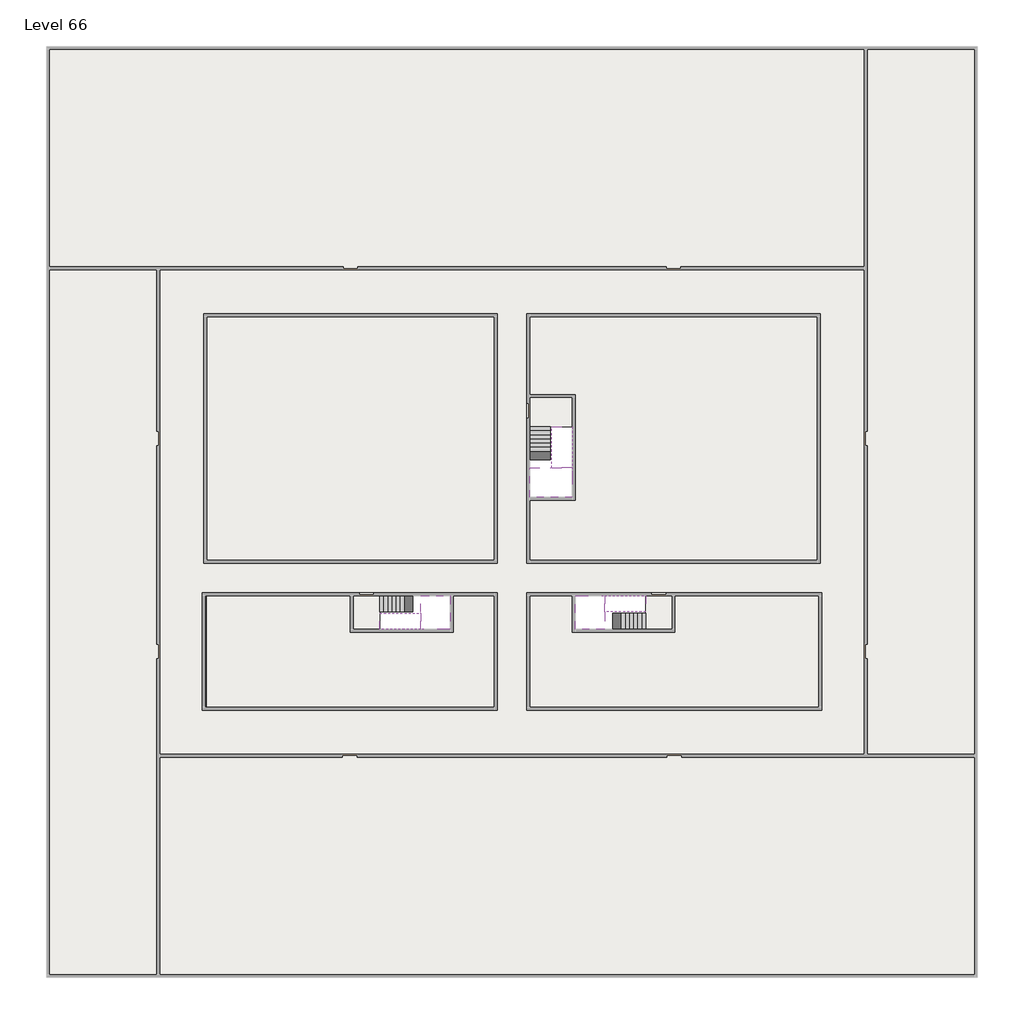
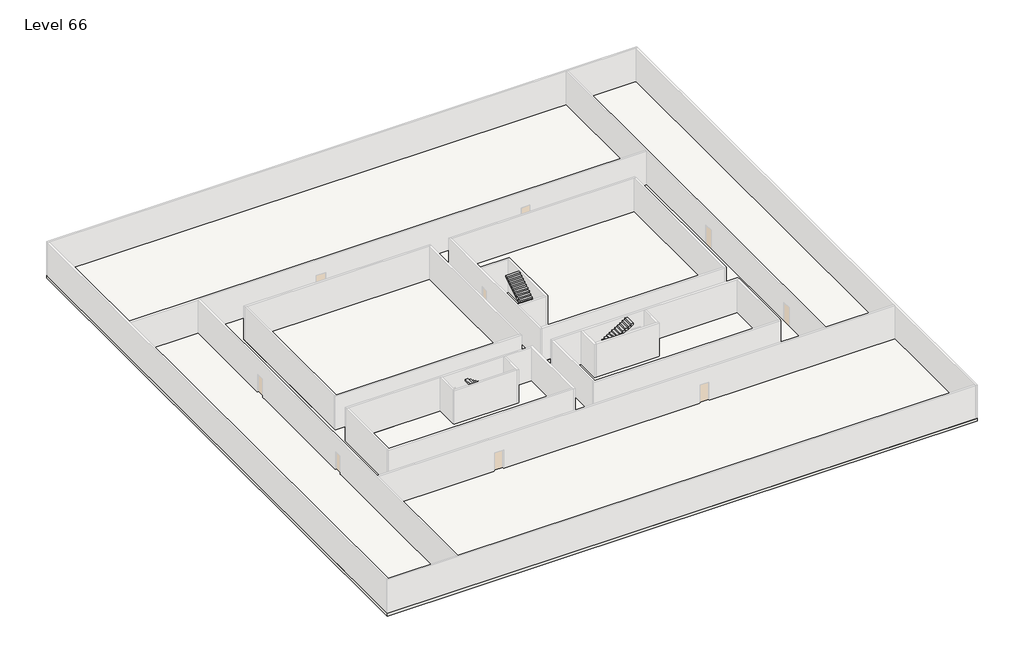
# One storey, part 2 of 2: 6 slabs, 6 stair flights.
"""IFC4 building model written with IfcOpenShell, lengths in millimetres."""

from ifc_helpers import new_model, si_unit, frame, origin, place, context, project, spatial, polyline, outline, extrude, faceted_brep, element, save

model = new_model("IFC4")

# Units and contexts
model_context = context("Model", 3, world=origin())
ifc_project = project(units=[si_unit("LENGTHUNIT", "METRE", prefix="MILLI")], contexts=[model_context])

# Site, building, storey
site = spatial("IfcSite", under=ifc_project)
building = spatial("IfcBuilding", under=site)
storey = spatial("IfcBuildingStorey", under=building, Name="Level 66", Elevation=247000.0)

# Slabs
placement = place(None, origin())
element("IfcSlab", 1, at=placement, inside=storey, context=model_context, shape_type="SweptSolid", body=[
    extrude(outline(polyline([(55890.1058784, -5518.09644), (55890.1058784, -68918.09644), (-7509.8941216, -68918.09644), (-7509.8941216, -5518.09644), (55890.1058784, -5518.09644)]), holes=[polyline([(23190.1058784, -23718.09644), (3190.1058784, -23718.09644), (3190.1058784, -40718.09644), (23190.1058784, -40718.09644), (23190.1058784, -23718.09644)]), polyline([(45190.1058784, -23718.09644), (25190.1058784, -23718.09644), (25190.1058784, -40718.09644), (45190.1058784, -40718.09644), (45190.1058784, -23718.09644)]), polyline([(23190.1058784, -50718.09644), (23190.1058784, -42718.09644), (3390.1058784, -42718.09644), (3390.1058784, -50718.09644), (23190.1058784, -50718.09644)]), polyline([(25190.1058784, -50718.09644), (45190.1058784, -50718.09644), (45190.1058784, -42718.09644), (25190.1058784, -42718.09644), (25190.1058784, -50718.09644)])]), frame((0.0, 0.0, 246700.0), z_axis=(0.0, 0.0, 1.0), x_axis=(1.0, 0.0, 0.0)), (0.0, 0.0, 1.0), 300.0),
])
element("IfcSlab", 2, at=placement, inside=storey, context=model_context, shape_type="Brep", body=[
    faceted_brep([(26790.1058784, -34218.09644, 248900.0), (25390.1058784, -34218.09644, 248900.0), (25390.1058784, -34297.4828763, 248900.0), (25390.1058784, -36218.09644, 248900.0), (28290.1058784, -36218.09644, 248900.0), (28290.1058784, -34418.7100038, 248900.0), (28290.1058784, -34218.09644, 248900.0), (26890.1058784, -34218.09644, 248900.0), (26790.1058784, -34218.09644, 248600.0), (26790.1058784, -34218.09644, 248551.0278478), (25390.1058784, -34218.09644, 248551.0278478), (25390.1058784, -34218.09644, 248727.2727273), (25390.1058784, -34297.4828763, 248600.0), (25390.1058784, -36218.09644, 248600.0), (28290.1058784, -36218.09644, 248600.0), (28290.1058784, -34418.7100038, 248600.0), (28290.1058784, -34218.09644, 248723.7551205), (26890.1058784, -34218.09644, 248723.7551205), (26890.1058784, -34218.09644, 248600.0), (26890.1058784, -34418.7100038, 248600.0), (26790.1058784, -34297.4828763, 248600.0)], [[[0, 1, 2, 3, 4, 5, 6, 7]], [[1, 0, 8, 9, 10, 11]], [[1, 11, 10, 12, 13, 3, 2]], [[4, 3, 13, 14]], [[4, 14, 15, 16, 6, 5]], [[7, 6, 16, 17]], [[0, 7, 17, 18, 8]], [[18, 19, 15, 14, 13, 12, 20, 8]], [[19, 18, 17]], [[20, 12, 10, 9]], [[8, 20, 9]], [[15, 19, 17, 16]]]),
])
element("IfcSlab", 3, at=placement, inside=storey, context=model_context, shape_type="SweptSolid", body=[
    extrude(outline(polyline([(22990.1058784, -23918.09644), (22990.1058784, -40518.09644), (3390.1058784, -40518.09644), (3390.1058784, -23918.09644), (22990.1058784, -23918.09644)])), frame((0.0, 0.0, 246700.0), z_axis=(0.0, 0.0, 1.0), x_axis=(1.0, 0.0, 0.0)), (0.0, 0.0, 1.0), 300.0),
    extrude(outline(polyline([(44990.1058784, -23918.09644), (44990.1058784, -40518.09644), (25390.1058784, -40518.09644), (25390.1058784, -36418.09644), (28490.1058784, -36418.09644), (28490.1058784, -29218.09644), (25390.1058784, -29218.09644), (25390.1058784, -23918.09644), (44990.1058784, -23918.09644)])), frame((0.0, 0.0, 246700.0), z_axis=(0.0, 0.0, 1.0), x_axis=(1.0, 0.0, 0.0)), (0.0, 0.0, 1.0), 300.0),
    extrude(outline(polyline([(22990.1058784, -42918.09644), (22990.1058784, -50518.09644), (3390.1058784, -50518.09644), (3390.1058784, -42918.09644), (13190.1058784, -42918.09644), (13190.1058784, -45418.09644), (20190.1058784, -45418.09644), (20190.1058784, -42918.09644), (22990.1058784, -42918.09644)])), frame((0.0, 0.0, 246700.0), z_axis=(0.0, 0.0, 1.0), x_axis=(1.0, 0.0, 0.0)), (0.0, 0.0, 1.0), 300.0),
    extrude(outline(polyline([(28290.1058784, -42918.09644), (28290.1058784, -45418.09644), (35290.1058784, -45418.09644), (35290.1058784, -42918.09644), (45090.1058784, -42918.09644), (45090.1058784, -50518.09644), (25390.1058784, -50518.09644), (25390.1058784, -42918.09644), (28290.1058784, -42918.09644)])), frame((0.0, 0.0, 246700.0), z_axis=(0.0, 0.0, 1.0), x_axis=(1.0, 0.0, 0.0)), (0.0, 0.0, 1.0), 300.0),
])
element("IfcSlab", 4, at=placement, inside=storey, context=model_context, shape_type="Brep", body=[
    faceted_brep([(30490.1058784, -45218.09644, 248900.0), (30490.1058784, -44118.09644, 248900.0), (30490.1058784, -44018.09644, 248900.0), (30490.1058784, -42918.09644, 248900.0), (30289.4923146, -42918.09644, 248900.0), (28490.1058784, -42918.09644, 248900.0), (28490.1058784, -45218.09644, 248900.0), (30410.7194421, -45218.09644, 248900.0), (30490.1058784, -45218.09644, 248727.2727273), (30490.1058784, -45218.09644, 248551.0278478), (30490.1058784, -44118.09644, 248551.0278478), (30490.1058784, -44118.09644, 248600.0), (30490.1058784, -44018.09644, 248600.0), (30490.1058784, -44018.09644, 248723.7551205), (30490.1058784, -42918.09644, 248723.7551205), (30289.4923146, -42918.09644, 248600.0), (28490.1058784, -42918.09644, 248600.0), (28490.1058784, -45218.09644, 248600.0), (30410.7194421, -45218.09644, 248600.0), (30289.4923146, -44018.09644, 248600.0), (30410.7194421, -44118.09644, 248600.0)], [[[0, 1, 2, 3, 4, 5, 6, 7]], [[1, 0, 8, 9, 10, 11]], [[2, 1, 11, 12, 13]], [[3, 2, 13, 14]], [[3, 14, 15, 16, 5, 4]], [[6, 5, 16, 17]], [[9, 8, 0, 7, 6, 17, 18]], [[19, 12, 11, 20, 18, 17, 16, 15]], [[12, 19, 13]], [[18, 20, 10, 9]], [[20, 11, 10]], [[19, 15, 14, 13]]]),
])
element("IfcSlab", 5, at=placement, inside=storey, context=model_context, shape_type="Brep", body=[
    faceted_brep([(17990.1058784, -42918.09644, 248900.0), (17990.1058784, -44018.09644, 248900.0), (17990.1058784, -44118.09644, 248900.0), (17990.1058784, -45218.09644, 248900.0), (18190.7194421, -45218.09644, 248900.0), (19990.1058784, -45218.09644, 248900.0), (19990.1058784, -42918.09644, 248900.0), (18069.4923146, -42918.09644, 248900.0), (17990.1058784, -42918.09644, 248727.2727273), (17990.1058784, -42918.09644, 248551.0278478), (17990.1058784, -44018.09644, 248551.0278478), (17990.1058784, -44018.09644, 248600.0), (17990.1058784, -44118.09644, 248600.0), (17990.1058784, -44118.09644, 248723.7551205), (17990.1058784, -45218.09644, 248723.7551205), (18190.7194421, -45218.09644, 248600.0), (19990.1058784, -45218.09644, 248600.0), (19990.1058784, -42918.09644, 248600.0), (18069.4923146, -42918.09644, 248600.0), (18190.7194421, -44118.09644, 248600.0), (18069.4923146, -44018.09644, 248600.0)], [[[0, 1, 2, 3, 4, 5, 6, 7]], [[1, 0, 8, 9, 10, 11]], [[2, 1, 11, 12, 13]], [[3, 2, 13, 14]], [[3, 14, 15, 16, 5, 4]], [[6, 5, 16, 17]], [[9, 8, 0, 7, 6, 17, 18]], [[19, 12, 11, 20, 18, 17, 16, 15]], [[12, 19, 13]], [[18, 20, 10, 9]], [[20, 11, 10]], [[19, 15, 14, 13]]]),
])
element("IfcSlab", 6, at=placement, inside=storey, context=model_context, shape_type="SweptSolid", body=[
    extrude(outline(polyline([(25190.1058784, -29418.09644), (28290.1058784, -29418.09644), (28290.1058784, -31418.09644), (25190.1058784, -31418.09644), (25190.1058784, -29418.09644)])), frame((0.0, 0.0, 246700.0), z_axis=(0.0, 0.0, 1.0), x_axis=(1.0, 0.0, 0.0)), (0.0, 0.0, 1.0), 300.0),
    extrude(outline(polyline([(15190.1058784, -45218.09644), (13390.1058784, -45218.09644), (13390.1058784, -42718.09644), (15190.1058784, -42718.09644), (15190.1058784, -45218.09644)])), frame((0.0, 0.0, 246700.0), z_axis=(0.0, 0.0, 1.0), x_axis=(1.0, 0.0, 0.0)), (0.0, 0.0, 1.0), 300.0),
    extrude(outline(polyline([(35090.1058784, -45218.09644), (33290.1058784, -45218.09644), (33290.1058784, -42718.09644), (35090.1058784, -42718.09644), (35090.1058784, -45218.09644)])), frame((0.0, 0.0, 246700.0), z_axis=(0.0, 0.0, 1.0), x_axis=(1.0, 0.0, 0.0)), (0.0, 0.0, 1.0), 300.0),
])

# Stair flights
element("IfcStairFlight", 7, at=placement, inside=storey, context=model_context, shape_type="Brep", body=[
    faceted_brep([(26790.1058784, -31698.09644, 247172.7272727), (26790.1058784, -31418.09644, 247172.7272727), (25390.1058784, -31418.09644, 247172.7272727), (25390.1058784, -31698.09644, 247172.7272727), (26790.1058784, -31698.09644, 247000.0), (26790.1058784, -31418.09644, 247000.0), (25390.1058784, -31418.09644, 247000.0), (25390.1058784, -31698.09644, 247000.0), (26790.1058784, -31978.09644, 247345.4545455), (26790.1058784, -31698.09644, 247345.4545455), (25390.1058784, -31698.09644, 247345.4545455), (25390.1058784, -31978.09644, 247345.4545455), (26790.1058784, -31978.09644, 247169.209666), (26790.1058784, -31703.7986657, 247000.0), (25390.1058784, -31703.7986657, 247000.0), (25390.1058784, -31978.09644, 247169.209666), (26790.1058784, -32258.09644, 247518.1818182), (26790.1058784, -31978.09644, 247518.1818182), (25390.1058784, -31978.09644, 247518.1818182), (25390.1058784, -32258.09644, 247518.1818182), (26790.1058784, -32258.09644, 247341.9369387), (25390.1058784, -32258.09644, 247341.9369387), (26790.1058784, -32538.09644, 247690.9090909), (26790.1058784, -32258.09644, 247690.9090909), (25390.1058784, -32258.09644, 247690.9090909), (25390.1058784, -32538.09644, 247690.9090909), (26790.1058784, -32538.09644, 247514.6642114), (25390.1058784, -32538.09644, 247514.6642114), (26790.1058784, -32818.09644, 247863.6363636), (26790.1058784, -32538.09644, 247863.6363636), (25390.1058784, -32538.09644, 247863.6363636), (25390.1058784, -32818.09644, 247863.6363636), (26790.1058784, -32818.09644, 247687.3914841), (25390.1058784, -32818.09644, 247687.3914841), (26790.1058784, -33098.09644, 248036.3636364), (26790.1058784, -32818.09644, 248036.3636364), (25390.1058784, -32818.09644, 248036.3636364), (25390.1058784, -33098.09644, 248036.3636364), (26790.1058784, -33098.09644, 247860.1187569), (25390.1058784, -33098.09644, 247860.1187569), (26790.1058784, -33378.09644, 248209.0909091), (26790.1058784, -33098.09644, 248209.0909091), (25390.1058784, -33098.09644, 248209.0909091), (25390.1058784, -33378.09644, 248209.0909091), (26790.1058784, -33378.09644, 248032.8460296), (25390.1058784, -33378.09644, 248032.8460296), (26790.1058784, -33658.09644, 248381.8181818), (26790.1058784, -33378.09644, 248381.8181818), (25390.1058784, -33378.09644, 248381.8181818), (25390.1058784, -33658.09644, 248381.8181818), (26790.1058784, -33658.09644, 248205.5733023), (25390.1058784, -33658.09644, 248205.5733023), (26790.1058784, -33938.09644, 248554.5454545), (26790.1058784, -33658.09644, 248554.5454545), (25390.1058784, -33658.09644, 248554.5454545), (25390.1058784, -33938.09644, 248554.5454545), (26790.1058784, -33938.09644, 248378.3005751), (25390.1058784, -33938.09644, 248378.3005751), (26790.1058784, -34218.09644, 248727.2727273), (26790.1058784, -33938.09644, 248727.2727273), (25390.1058784, -33938.09644, 248727.2727273), (25390.1058784, -34218.09644, 248727.2727273), (26790.1058784, -34218.09644, 248600.0), (26790.1058784, -34218.09644, 248551.0278478), (25390.1058784, -34218.09644, 248551.0278478)], [[[0, 1, 2, 3]], [[1, 0, 4, 5]], [[2, 1, 5, 6]], [[3, 2, 6, 7]], [[8, 9, 10, 11]], [[4, 0, 9, 8, 12, 13]], [[0, 3, 10, 9]], [[3, 7, 14, 15, 11, 10]], [[16, 17, 18, 19]], [[17, 16, 20, 12, 8]], [[8, 11, 18, 17]], [[19, 18, 11, 15, 21]], [[22, 23, 24, 25]], [[23, 22, 26, 20, 16]], [[16, 19, 24, 23]], [[25, 24, 19, 21, 27]], [[28, 29, 30, 31]], [[29, 28, 32, 26, 22]], [[22, 25, 30, 29]], [[31, 30, 25, 27, 33]], [[34, 35, 36, 37]], [[35, 34, 38, 32, 28]], [[28, 31, 36, 35]], [[37, 36, 31, 33, 39]], [[40, 41, 42, 43]], [[41, 40, 44, 38, 34]], [[34, 37, 42, 41]], [[43, 42, 37, 39, 45]], [[46, 47, 48, 49]], [[47, 46, 50, 44, 40]], [[40, 43, 48, 47]], [[49, 48, 43, 45, 51]], [[52, 53, 54, 55]], [[53, 52, 56, 50, 46]], [[46, 49, 54, 53]], [[55, 54, 49, 51, 57]], [[58, 59, 60, 61]], [[59, 58, 62, 63, 56, 52]], [[52, 55, 60, 59]], [[61, 60, 55, 57, 64]], [[58, 61, 64, 63, 62]], [[5, 4, 13, 14, 7, 6]], [[14, 13, 12, 20, 26, 32, 38, 44, 50, 56, 63, 64, 57, 51, 45, 39, 33, 27, 21, 15]]]),
])
element("IfcStairFlight", 8, at=placement, inside=storey, context=model_context, shape_type="Brep", body=[
    faceted_brep([(26890.1058784, -33938.09644, 249072.7272727), (26890.1058784, -34218.09644, 249072.7272727), (28290.1058784, -34218.09644, 249072.7272727), (28290.1058784, -33938.09644, 249072.7272727), (26890.1058784, -33938.09644, 248896.4823932), (26890.1058784, -34218.09644, 248723.7551205), (28290.1058784, -34218.09644, 248723.7551205), (28290.1058784, -34218.09644, 248900.0), (28290.1058784, -33938.09644, 248896.4823932), (26890.1058784, -33658.09644, 249245.4545455), (26890.1058784, -33938.09644, 249245.4545455), (28290.1058784, -33938.09644, 249245.4545455), (28290.1058784, -33658.09644, 249245.4545455), (26890.1058784, -33658.09644, 249069.209666), (28290.1058784, -33658.09644, 249069.209666), (26890.1058784, -33378.09644, 249418.1818182), (26890.1058784, -33658.09644, 249418.1818182), (28290.1058784, -33658.09644, 249418.1818182), (28290.1058784, -33378.09644, 249418.1818182), (26890.1058784, -33378.09644, 249241.9369387), (28290.1058784, -33378.09644, 249241.9369387), (26890.1058784, -33098.09644, 249590.9090909), (26890.1058784, -33378.09644, 249590.9090909), (28290.1058784, -33378.09644, 249590.9090909), (28290.1058784, -33098.09644, 249590.9090909), (26890.1058784, -33098.09644, 249414.6642114), (28290.1058784, -33098.09644, 249414.6642114), (26890.1058784, -32818.09644, 249763.6363636), (26890.1058784, -33098.09644, 249763.6363636), (28290.1058784, -33098.09644, 249763.6363636), (28290.1058784, -32818.09644, 249763.6363636), (26890.1058784, -32818.09644, 249587.3914841), (28290.1058784, -32818.09644, 249587.3914841), (26890.1058784, -32538.09644, 249936.3636364), (26890.1058784, -32818.09644, 249936.3636364), (28290.1058784, -32818.09644, 249936.3636364), (28290.1058784, -32538.09644, 249936.3636364), (26890.1058784, -32538.09644, 249760.1187569), (28290.1058784, -32538.09644, 249760.1187569), (26890.1058784, -32258.09644, 250109.0909091), (26890.1058784, -32538.09644, 250109.0909091), (28290.1058784, -32538.09644, 250109.0909091), (28290.1058784, -32258.09644, 250109.0909091), (26890.1058784, -32258.09644, 249932.8460296), (28290.1058784, -32258.09644, 249932.8460296), (26890.1058784, -31978.09644, 250281.8181818), (26890.1058784, -32258.09644, 250281.8181818), (28290.1058784, -32258.09644, 250281.8181818), (28290.1058784, -31978.09644, 250281.8181818), (26890.1058784, -31978.09644, 250105.5733023), (28290.1058784, -31978.09644, 250105.5733023), (26890.1058784, -31698.09644, 250454.5454545), (26890.1058784, -31978.09644, 250454.5454545), (28290.1058784, -31978.09644, 250454.5454545), (28290.1058784, -31698.09644, 250454.5454545), (26890.1058784, -31698.09644, 250278.3005751), (28290.1058784, -31698.09644, 250278.3005751), (26890.1058784, -31418.09644, 250627.2727273), (26890.1058784, -31698.09644, 250627.2727273), (28290.1058784, -31698.09644, 250627.2727273), (28290.1058784, -31418.09644, 250627.2727273), (26890.1058784, -31418.09644, 250451.0278478), (28290.1058784, -31418.09644, 250451.0278478)], [[[0, 1, 2, 3]], [[1, 0, 4, 5]], [[2, 1, 5, 6, 7]], [[3, 2, 7, 6, 8]], [[9, 10, 11, 12]], [[10, 9, 13, 4, 0]], [[11, 10, 0, 3]], [[12, 11, 3, 8, 14]], [[15, 16, 17, 18]], [[16, 15, 19, 13, 9]], [[17, 16, 9, 12]], [[18, 17, 12, 14, 20]], [[21, 22, 23, 24]], [[22, 21, 25, 19, 15]], [[23, 22, 15, 18]], [[24, 23, 18, 20, 26]], [[27, 28, 29, 30]], [[28, 27, 31, 25, 21]], [[29, 28, 21, 24]], [[30, 29, 24, 26, 32]], [[33, 34, 35, 36]], [[34, 33, 37, 31, 27]], [[35, 34, 27, 30]], [[36, 35, 30, 32, 38]], [[39, 40, 41, 42]], [[40, 39, 43, 37, 33]], [[41, 40, 33, 36]], [[42, 41, 36, 38, 44]], [[45, 46, 47, 48]], [[46, 45, 49, 43, 39]], [[47, 46, 39, 42]], [[48, 47, 42, 44, 50]], [[51, 52, 53, 54]], [[52, 51, 55, 49, 45]], [[53, 52, 45, 48]], [[54, 53, 48, 50, 56]], [[57, 58, 59, 60]], [[58, 57, 61, 55, 51]], [[59, 58, 51, 54]], [[60, 59, 54, 56, 62]], [[57, 60, 62, 61]], [[5, 4, 13, 19, 25, 31, 37, 43, 49, 55, 61, 62, 56, 50, 44, 38, 32, 26, 20, 14, 8, 6]]]),
])
element("IfcStairFlight", 9, at=placement, inside=storey, context=model_context, shape_type="Brep", body=[
    faceted_brep([(33010.1058784, -45218.09644, 247172.7272727), (33290.1058784, -45218.09644, 247172.7272727), (33290.1058784, -44118.09644, 247172.7272727), (33010.1058784, -44118.09644, 247172.7272727), (33010.1058784, -45218.09644, 247000.0), (33290.1058784, -45218.09644, 247000.0), (33290.1058784, -44118.09644, 247000.0), (33010.1058784, -44118.09644, 247000.0), (32730.1058784, -45218.09644, 247345.4545455), (33010.1058784, -45218.09644, 247345.4545455), (33010.1058784, -44118.09644, 247345.4545455), (32730.1058784, -44118.09644, 247345.4545455), (32730.1058784, -45218.09644, 247169.209666), (33004.4036527, -45218.09644, 247000.0), (33004.4036527, -44118.09644, 247000.0), (32730.1058784, -44118.09644, 247169.209666), (32450.1058784, -45218.09644, 247518.1818182), (32730.1058784, -45218.09644, 247518.1818182), (32730.1058784, -44118.09644, 247518.1818182), (32450.1058784, -44118.09644, 247518.1818182), (32450.1058784, -45218.09644, 247341.9369387), (32450.1058784, -44118.09644, 247341.9369387), (32170.1058784, -45218.09644, 247690.9090909), (32450.1058784, -45218.09644, 247690.9090909), (32450.1058784, -44118.09644, 247690.9090909), (32170.1058784, -44118.09644, 247690.9090909), (32170.1058784, -45218.09644, 247514.6642114), (32170.1058784, -44118.09644, 247514.6642114), (31890.1058784, -45218.09644, 247863.6363636), (32170.1058784, -45218.09644, 247863.6363636), (32170.1058784, -44118.09644, 247863.6363636), (31890.1058784, -44118.09644, 247863.6363636), (31890.1058784, -45218.09644, 247687.3914841), (31890.1058784, -44118.09644, 247687.3914841), (31610.1058784, -45218.09644, 248036.3636364), (31890.1058784, -45218.09644, 248036.3636364), (31890.1058784, -44118.09644, 248036.3636364), (31610.1058784, -44118.09644, 248036.3636364), (31610.1058784, -45218.09644, 247860.1187569), (31610.1058784, -44118.09644, 247860.1187569), (31330.1058784, -45218.09644, 248209.0909091), (31610.1058784, -45218.09644, 248209.0909091), (31610.1058784, -44118.09644, 248209.0909091), (31330.1058784, -44118.09644, 248209.0909091), (31330.1058784, -45218.09644, 248032.8460296), (31330.1058784, -44118.09644, 248032.8460296), (31050.1058784, -45218.09644, 248381.8181818), (31330.1058784, -45218.09644, 248381.8181818), (31330.1058784, -44118.09644, 248381.8181818), (31050.1058784, -44118.09644, 248381.8181818), (31050.1058784, -45218.09644, 248205.5733023), (31050.1058784, -44118.09644, 248205.5733023), (30770.1058784, -45218.09644, 248554.5454545), (31050.1058784, -45218.09644, 248554.5454545), (31050.1058784, -44118.09644, 248554.5454545), (30770.1058784, -44118.09644, 248554.5454545), (30770.1058784, -45218.09644, 248378.3005751), (30770.1058784, -44118.09644, 248378.3005751), (30490.1058784, -45218.09644, 248727.2727273), (30770.1058784, -45218.09644, 248727.2727273), (30770.1058784, -44118.09644, 248727.2727273), (30490.1058784, -44118.09644, 248727.2727273), (30490.1058784, -45218.09644, 248551.0278478), (30490.1058784, -44118.09644, 248551.0278478), (30490.1058784, -44118.09644, 248600.0)], [[[0, 1, 2, 3]], [[1, 0, 4, 5]], [[2, 1, 5, 6]], [[3, 2, 6, 7]], [[8, 9, 10, 11]], [[4, 0, 9, 8, 12, 13]], [[0, 3, 10, 9]], [[3, 7, 14, 15, 11, 10]], [[16, 17, 18, 19]], [[17, 16, 20, 12, 8]], [[8, 11, 18, 17]], [[19, 18, 11, 15, 21]], [[22, 23, 24, 25]], [[23, 22, 26, 20, 16]], [[16, 19, 24, 23]], [[25, 24, 19, 21, 27]], [[28, 29, 30, 31]], [[29, 28, 32, 26, 22]], [[22, 25, 30, 29]], [[31, 30, 25, 27, 33]], [[34, 35, 36, 37]], [[35, 34, 38, 32, 28]], [[28, 31, 36, 35]], [[37, 36, 31, 33, 39]], [[40, 41, 42, 43]], [[41, 40, 44, 38, 34]], [[34, 37, 42, 41]], [[43, 42, 37, 39, 45]], [[46, 47, 48, 49]], [[47, 46, 50, 44, 40]], [[40, 43, 48, 47]], [[49, 48, 43, 45, 51]], [[52, 53, 54, 55]], [[53, 52, 56, 50, 46]], [[46, 49, 54, 53]], [[55, 54, 49, 51, 57]], [[58, 59, 60, 61]], [[59, 58, 62, 56, 52]], [[52, 55, 60, 59]], [[61, 60, 55, 57, 63, 64]], [[58, 61, 64, 63, 62]], [[5, 4, 13, 14, 7, 6]], [[14, 13, 12, 20, 26, 32, 38, 44, 50, 56, 62, 63, 57, 51, 45, 39, 33, 27, 21, 15]]]),
])
element("IfcStairFlight", 10, at=placement, inside=storey, context=model_context, shape_type="Brep", body=[
    faceted_brep([(30770.1058784, -42918.09644, 249072.7272727), (30490.1058784, -42918.09644, 249072.7272727), (30490.1058784, -44018.09644, 249072.7272727), (30770.1058784, -44018.09644, 249072.7272727), (30770.1058784, -42918.09644, 248896.4823932), (30490.1058784, -42918.09644, 248723.7551205), (30490.1058784, -42918.09644, 248900.0), (30490.1058784, -44018.09644, 248723.7551205), (30770.1058784, -44018.09644, 248896.4823932), (31050.1058784, -42918.09644, 249245.4545455), (30770.1058784, -42918.09644, 249245.4545455), (30770.1058784, -44018.09644, 249245.4545455), (31050.1058784, -44018.09644, 249245.4545455), (31050.1058784, -42918.09644, 249069.209666), (31050.1058784, -44018.09644, 249069.209666), (31330.1058784, -42918.09644, 249418.1818182), (31050.1058784, -42918.09644, 249418.1818182), (31050.1058784, -44018.09644, 249418.1818182), (31330.1058784, -44018.09644, 249418.1818182), (31330.1058784, -42918.09644, 249241.9369387), (31330.1058784, -44018.09644, 249241.9369387), (31610.1058784, -42918.09644, 249590.9090909), (31330.1058784, -42918.09644, 249590.9090909), (31330.1058784, -44018.09644, 249590.9090909), (31610.1058784, -44018.09644, 249590.9090909), (31610.1058784, -42918.09644, 249414.6642114), (31610.1058784, -44018.09644, 249414.6642114), (31890.1058784, -42918.09644, 249763.6363636), (31610.1058784, -42918.09644, 249763.6363636), (31610.1058784, -44018.09644, 249763.6363636), (31890.1058784, -44018.09644, 249763.6363636), (31890.1058784, -42918.09644, 249587.3914841), (31890.1058784, -44018.09644, 249587.3914841), (32170.1058784, -42918.09644, 249936.3636364), (31890.1058784, -42918.09644, 249936.3636364), (31890.1058784, -44018.09644, 249936.3636364), (32170.1058784, -44018.09644, 249936.3636364), (32170.1058784, -42918.09644, 249760.1187569), (32170.1058784, -44018.09644, 249760.1187569), (32450.1058784, -42918.09644, 250109.0909091), (32170.1058784, -42918.09644, 250109.0909091), (32170.1058784, -44018.09644, 250109.0909091), (32450.1058784, -44018.09644, 250109.0909091), (32450.1058784, -42918.09644, 249932.8460296), (32450.1058784, -44018.09644, 249932.8460296), (32730.1058784, -42918.09644, 250281.8181818), (32450.1058784, -42918.09644, 250281.8181818), (32450.1058784, -44018.09644, 250281.8181818), (32730.1058784, -44018.09644, 250281.8181818), (32730.1058784, -42918.09644, 250105.5733023), (32730.1058784, -44018.09644, 250105.5733023), (33010.1058784, -42918.09644, 250454.5454545), (32730.1058784, -42918.09644, 250454.5454545), (32730.1058784, -44018.09644, 250454.5454545), (33010.1058784, -44018.09644, 250454.5454545), (33010.1058784, -42918.09644, 250278.3005751), (33010.1058784, -44018.09644, 250278.3005751), (33290.1058784, -42918.09644, 250627.2727273), (33010.1058784, -42918.09644, 250627.2727273), (33010.1058784, -44018.09644, 250627.2727273), (33290.1058784, -44018.09644, 250627.2727273), (33290.1058784, -42918.09644, 250451.0278478), (33290.1058784, -44018.09644, 250451.0278478)], [[[0, 1, 2, 3]], [[1, 0, 4, 5, 6]], [[2, 1, 6, 5, 7]], [[3, 2, 7, 8]], [[9, 10, 11, 12]], [[10, 9, 13, 4, 0]], [[11, 10, 0, 3]], [[12, 11, 3, 8, 14]], [[15, 16, 17, 18]], [[16, 15, 19, 13, 9]], [[17, 16, 9, 12]], [[18, 17, 12, 14, 20]], [[21, 22, 23, 24]], [[22, 21, 25, 19, 15]], [[23, 22, 15, 18]], [[24, 23, 18, 20, 26]], [[27, 28, 29, 30]], [[28, 27, 31, 25, 21]], [[29, 28, 21, 24]], [[30, 29, 24, 26, 32]], [[33, 34, 35, 36]], [[34, 33, 37, 31, 27]], [[35, 34, 27, 30]], [[36, 35, 30, 32, 38]], [[39, 40, 41, 42]], [[40, 39, 43, 37, 33]], [[41, 40, 33, 36]], [[42, 41, 36, 38, 44]], [[45, 46, 47, 48]], [[46, 45, 49, 43, 39]], [[47, 46, 39, 42]], [[48, 47, 42, 44, 50]], [[51, 52, 53, 54]], [[52, 51, 55, 49, 45]], [[53, 52, 45, 48]], [[54, 53, 48, 50, 56]], [[57, 58, 59, 60]], [[58, 57, 61, 55, 51]], [[59, 58, 51, 54]], [[60, 59, 54, 56, 62]], [[57, 60, 62, 61]], [[5, 4, 13, 19, 25, 31, 37, 43, 49, 55, 61, 62, 56, 50, 44, 38, 32, 26, 20, 14, 8, 7]]]),
])
element("IfcStairFlight", 11, at=placement, inside=storey, context=model_context, shape_type="Brep", body=[
    faceted_brep([(15470.1058784, -42918.09644, 247172.7272727), (15190.1058784, -42918.09644, 247172.7272727), (15190.1058784, -44018.09644, 247172.7272727), (15470.1058784, -44018.09644, 247172.7272727), (15470.1058784, -42918.09644, 247000.0), (15190.1058784, -42918.09644, 247000.0), (15190.1058784, -44018.09644, 247000.0), (15470.1058784, -44018.09644, 247000.0), (15750.1058784, -42918.09644, 247345.4545455), (15470.1058784, -42918.09644, 247345.4545455), (15470.1058784, -44018.09644, 247345.4545455), (15750.1058784, -44018.09644, 247345.4545455), (15750.1058784, -42918.09644, 247169.209666), (15475.8081041, -42918.09644, 247000.0), (15475.8081041, -44018.09644, 247000.0), (15750.1058784, -44018.09644, 247169.209666), (16030.1058784, -42918.09644, 247518.1818182), (15750.1058784, -42918.09644, 247518.1818182), (15750.1058784, -44018.09644, 247518.1818182), (16030.1058784, -44018.09644, 247518.1818182), (16030.1058784, -42918.09644, 247341.9369387), (16030.1058784, -44018.09644, 247341.9369387), (16310.1058784, -42918.09644, 247690.9090909), (16030.1058784, -42918.09644, 247690.9090909), (16030.1058784, -44018.09644, 247690.9090909), (16310.1058784, -44018.09644, 247690.9090909), (16310.1058784, -42918.09644, 247514.6642114), (16310.1058784, -44018.09644, 247514.6642114), (16590.1058784, -42918.09644, 247863.6363636), (16310.1058784, -42918.09644, 247863.6363636), (16310.1058784, -44018.09644, 247863.6363636), (16590.1058784, -44018.09644, 247863.6363636), (16590.1058784, -42918.09644, 247687.3914841), (16590.1058784, -44018.09644, 247687.3914841), (16870.1058784, -42918.09644, 248036.3636364), (16590.1058784, -42918.09644, 248036.3636364), (16590.1058784, -44018.09644, 248036.3636364), (16870.1058784, -44018.09644, 248036.3636364), (16870.1058784, -42918.09644, 247860.1187569), (16870.1058784, -44018.09644, 247860.1187569), (17150.1058784, -42918.09644, 248209.0909091), (16870.1058784, -42918.09644, 248209.0909091), (16870.1058784, -44018.09644, 248209.0909091), (17150.1058784, -44018.09644, 248209.0909091), (17150.1058784, -42918.09644, 248032.8460296), (17150.1058784, -44018.09644, 248032.8460296), (17430.1058784, -42918.09644, 248381.8181818), (17150.1058784, -42918.09644, 248381.8181818), (17150.1058784, -44018.09644, 248381.8181818), (17430.1058784, -44018.09644, 248381.8181818), (17430.1058784, -42918.09644, 248205.5733023), (17430.1058784, -44018.09644, 248205.5733023), (17710.1058784, -42918.09644, 248554.5454545), (17430.1058784, -42918.09644, 248554.5454545), (17430.1058784, -44018.09644, 248554.5454545), (17710.1058784, -44018.09644, 248554.5454545), (17710.1058784, -42918.09644, 248378.3005751), (17710.1058784, -44018.09644, 248378.3005751), (17990.1058784, -42918.09644, 248727.2727273), (17710.1058784, -42918.09644, 248727.2727273), (17710.1058784, -44018.09644, 248727.2727273), (17990.1058784, -44018.09644, 248727.2727273), (17990.1058784, -42918.09644, 248551.0278478), (17990.1058784, -44018.09644, 248551.0278478), (17990.1058784, -44018.09644, 248600.0)], [[[0, 1, 2, 3]], [[1, 0, 4, 5]], [[2, 1, 5, 6]], [[3, 2, 6, 7]], [[8, 9, 10, 11]], [[4, 0, 9, 8, 12, 13]], [[0, 3, 10, 9]], [[3, 7, 14, 15, 11, 10]], [[16, 17, 18, 19]], [[17, 16, 20, 12, 8]], [[8, 11, 18, 17]], [[19, 18, 11, 15, 21]], [[22, 23, 24, 25]], [[23, 22, 26, 20, 16]], [[16, 19, 24, 23]], [[25, 24, 19, 21, 27]], [[28, 29, 30, 31]], [[29, 28, 32, 26, 22]], [[22, 25, 30, 29]], [[31, 30, 25, 27, 33]], [[34, 35, 36, 37]], [[35, 34, 38, 32, 28]], [[28, 31, 36, 35]], [[37, 36, 31, 33, 39]], [[40, 41, 42, 43]], [[41, 40, 44, 38, 34]], [[34, 37, 42, 41]], [[43, 42, 37, 39, 45]], [[46, 47, 48, 49]], [[47, 46, 50, 44, 40]], [[40, 43, 48, 47]], [[49, 48, 43, 45, 51]], [[52, 53, 54, 55]], [[53, 52, 56, 50, 46]], [[46, 49, 54, 53]], [[55, 54, 49, 51, 57]], [[58, 59, 60, 61]], [[59, 58, 62, 56, 52]], [[52, 55, 60, 59]], [[61, 60, 55, 57, 63, 64]], [[58, 61, 64, 63, 62]], [[5, 4, 13, 14, 7, 6]], [[14, 13, 12, 20, 26, 32, 38, 44, 50, 56, 62, 63, 57, 51, 45, 39, 33, 27, 21, 15]]]),
])
element("IfcStairFlight", 12, at=placement, inside=storey, context=model_context, shape_type="Brep", body=[
    faceted_brep([(17710.1058784, -45218.09644, 249072.7272727), (17990.1058784, -45218.09644, 249072.7272727), (17990.1058784, -44118.09644, 249072.7272727), (17710.1058784, -44118.09644, 249072.7272727), (17710.1058784, -45218.09644, 248896.4823932), (17990.1058784, -45218.09644, 248723.7551205), (17990.1058784, -45218.09644, 248900.0), (17990.1058784, -44118.09644, 248723.7551205), (17710.1058784, -44118.09644, 248896.4823932), (17430.1058784, -45218.09644, 249245.4545455), (17710.1058784, -45218.09644, 249245.4545455), (17710.1058784, -44118.09644, 249245.4545455), (17430.1058784, -44118.09644, 249245.4545455), (17430.1058784, -45218.09644, 249069.209666), (17430.1058784, -44118.09644, 249069.209666), (17150.1058784, -45218.09644, 249418.1818182), (17430.1058784, -45218.09644, 249418.1818182), (17430.1058784, -44118.09644, 249418.1818182), (17150.1058784, -44118.09644, 249418.1818182), (17150.1058784, -45218.09644, 249241.9369387), (17150.1058784, -44118.09644, 249241.9369387), (16870.1058784, -45218.09644, 249590.9090909), (17150.1058784, -45218.09644, 249590.9090909), (17150.1058784, -44118.09644, 249590.9090909), (16870.1058784, -44118.09644, 249590.9090909), (16870.1058784, -45218.09644, 249414.6642114), (16870.1058784, -44118.09644, 249414.6642114), (16590.1058784, -45218.09644, 249763.6363636), (16870.1058784, -45218.09644, 249763.6363636), (16870.1058784, -44118.09644, 249763.6363636), (16590.1058784, -44118.09644, 249763.6363636), (16590.1058784, -45218.09644, 249587.3914841), (16590.1058784, -44118.09644, 249587.3914841), (16310.1058784, -45218.09644, 249936.3636364), (16590.1058784, -45218.09644, 249936.3636364), (16590.1058784, -44118.09644, 249936.3636364), (16310.1058784, -44118.09644, 249936.3636364), (16310.1058784, -45218.09644, 249760.1187569), (16310.1058784, -44118.09644, 249760.1187569), (16030.1058784, -45218.09644, 250109.0909091), (16310.1058784, -45218.09644, 250109.0909091), (16310.1058784, -44118.09644, 250109.0909091), (16030.1058784, -44118.09644, 250109.0909091), (16030.1058784, -45218.09644, 249932.8460296), (16030.1058784, -44118.09644, 249932.8460296), (15750.1058784, -45218.09644, 250281.8181818), (16030.1058784, -45218.09644, 250281.8181818), (16030.1058784, -44118.09644, 250281.8181818), (15750.1058784, -44118.09644, 250281.8181818), (15750.1058784, -45218.09644, 250105.5733023), (15750.1058784, -44118.09644, 250105.5733023), (15470.1058784, -45218.09644, 250454.5454545), (15750.1058784, -45218.09644, 250454.5454545), (15750.1058784, -44118.09644, 250454.5454545), (15470.1058784, -44118.09644, 250454.5454545), (15470.1058784, -45218.09644, 250278.3005751), (15470.1058784, -44118.09644, 250278.3005751), (15190.1058784, -45218.09644, 250627.2727273), (15470.1058784, -45218.09644, 250627.2727273), (15470.1058784, -44118.09644, 250627.2727273), (15190.1058784, -44118.09644, 250627.2727273), (15190.1058784, -45218.09644, 250451.0278478), (15190.1058784, -44118.09644, 250451.0278478)], [[[0, 1, 2, 3]], [[1, 0, 4, 5, 6]], [[2, 1, 6, 5, 7]], [[3, 2, 7, 8]], [[9, 10, 11, 12]], [[10, 9, 13, 4, 0]], [[11, 10, 0, 3]], [[12, 11, 3, 8, 14]], [[15, 16, 17, 18]], [[16, 15, 19, 13, 9]], [[17, 16, 9, 12]], [[18, 17, 12, 14, 20]], [[21, 22, 23, 24]], [[22, 21, 25, 19, 15]], [[23, 22, 15, 18]], [[24, 23, 18, 20, 26]], [[27, 28, 29, 30]], [[28, 27, 31, 25, 21]], [[29, 28, 21, 24]], [[30, 29, 24, 26, 32]], [[33, 34, 35, 36]], [[34, 33, 37, 31, 27]], [[35, 34, 27, 30]], [[36, 35, 30, 32, 38]], [[39, 40, 41, 42]], [[40, 39, 43, 37, 33]], [[41, 40, 33, 36]], [[42, 41, 36, 38, 44]], [[45, 46, 47, 48]], [[46, 45, 49, 43, 39]], [[47, 46, 39, 42]], [[48, 47, 42, 44, 50]], [[51, 52, 53, 54]], [[52, 51, 55, 49, 45]], [[53, 52, 45, 48]], [[54, 53, 48, 50, 56]], [[57, 58, 59, 60]], [[58, 57, 61, 55, 51]], [[59, 58, 51, 54]], [[60, 59, 54, 56, 62]], [[57, 60, 62, 61]], [[5, 4, 13, 19, 25, 31, 37, 43, 49, 55, 61, 62, 56, 50, 44, 38, 32, 26, 20, 14, 8, 7]]]),
])

save(model, "model.ifc")
